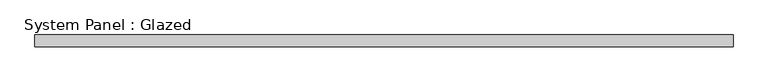
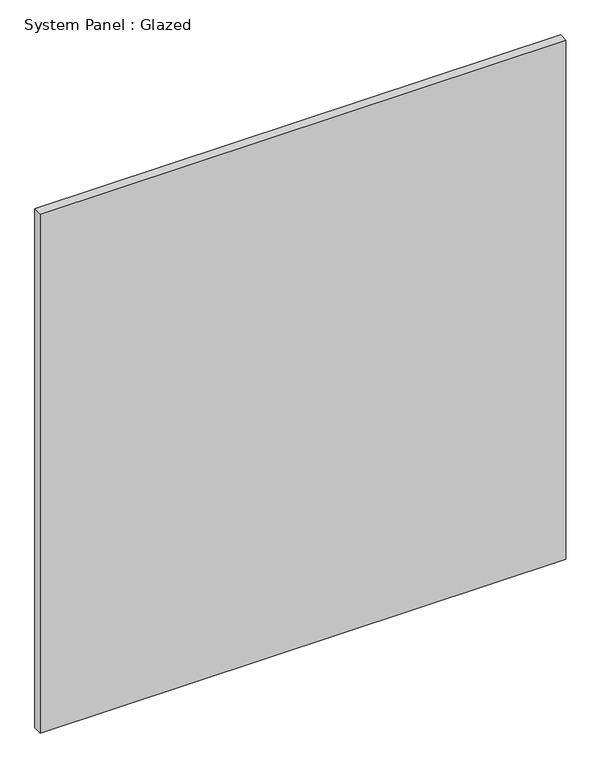
"""IFC4 building model written with IfcOpenShell, lengths in millimetres: plate geometry, System Panel : Glazed."""

from ifc_helpers import new_model, si_unit, origin, origin_with_axes, place, context, project, spatial, polyline, outline, extrude, source, transform, mapped, element, save


def system_panel_glazed_bffc16bd(model_context):
    return source(origin(), model_context, "Body", "SweptSolid", [
        extrude(outline(polyline([(730.4552273, 24.5), (-730.4552273, 24.5), (-730.4552273, 49.5), (730.4552273, 49.5), (730.4552273, 24.5)])), origin_with_axes(), (0.0, 0.0, 1.0), 1525.0),
    ])


if __name__ == "__main__":
    model = new_model("IFC4")
    model_context = context("Model", 3, world=origin())
    ifc_project = project(units=[si_unit("LENGTHUNIT", "METRE", prefix="MILLI")], contexts=[model_context])
    site = spatial("IfcSite", under=ifc_project)
    building = spatial("IfcBuilding", under=site)
    placement = place(None, origin())
    system_panel_glazed_shape = system_panel_glazed_bffc16bd(model_context)
    element("IfcPlate", 1, ObjectType="System Panel : Glazed", at=placement, inside=building, context=model_context, shape_type="MappedRepresentation", body=[
        mapped(system_panel_glazed_shape, transform((0.0, 0.0, 0.0), x_axis=(1.0, 0.0, 0.0), y_axis=(0.0, 1.0, 0.0), z_axis=(0.0, 0.0, 1.0))),
    ])
    save(model, "model.ifc")
